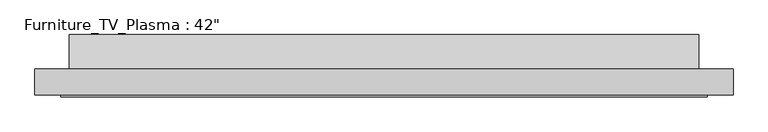
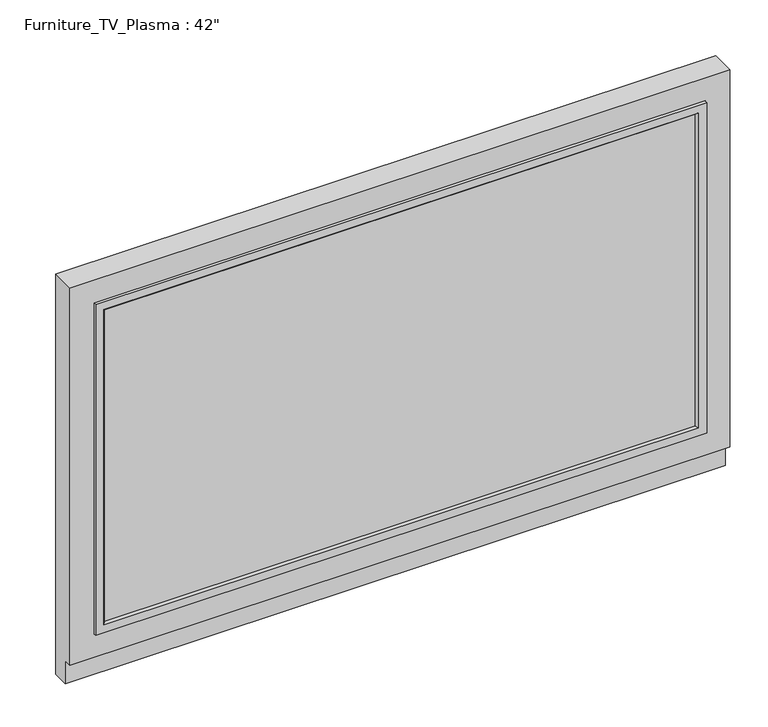
"""IFC4 building model written with IfcOpenShell, lengths in millimetres: furniture geometry."""

from ifc_helpers import new_model, si_unit, frame, origin, place, context, project, spatial, polyline, outline, extrude, faceted_brep, source, transform, mapped, element, save


def furniture_b0750a7a(model_context):
    return source(origin(), model_context, "Body", "SolidModel", [
        faceted_brep([(571.5, -50.8, 660.4), (-457.2, -50.8, 660.4), (-457.2, -88.9, 660.4), (571.5, -88.9, 660.4), (-457.2, -50.8, 0.0), (571.5, -50.8, 0.0), (571.5, -76.2, 0.0), (-457.2, -76.2, 0.0), (-457.2, -76.2, 38.1), (-457.2, -88.9, 38.1), (571.5, -88.9, 38.1), (533.4, -88.9, 622.3), (533.4, -88.9, 76.2), (-419.1, -88.9, 76.2), (-419.1, -88.9, 622.3), (571.5, -76.2, 38.1), (533.4, -74.1720413, 622.3), (-419.1, -74.1720413, 622.3), (-419.1, -74.1720413, 76.2), (533.4, -74.1720413, 76.2)], [[[0, 1, 2, 3]], [[4, 5, 6, 7]], [[1, 0, 5, 4]], [[2, 1, 4, 7, 8, 9]], [[3, 2, 9, 10], [11, 12, 13, 14]], [[0, 3, 10, 15, 6, 5]], [[16, 17, 18, 19]], [[16, 19, 12, 11]], [[19, 18, 13, 12]], [[18, 17, 14, 13]], [[17, 16, 11, 14]], [[15, 8, 7, 6]], [[8, 15, 10, 9]]]),
        faceted_brep([(517.525, -88.9, 92.075), (520.7, -92.075, 88.9), (520.7, -92.075, 608.80625), (517.525, -88.9, 605.63125), (520.7, -74.1720413, 88.9), (520.7, -88.9, 88.9), (520.7, -88.9, 608.80625), (520.7, -74.1720413, 608.80625), (533.4, -92.075, 76.2), (533.4, -74.1720413, 76.2), (533.4, -74.1720413, 621.50625), (533.4, -92.075, 621.50625), (-406.4, -92.075, 608.80625), (-403.225, -88.9, 605.63125), (-406.4, -88.9, 608.80625), (-406.4, -74.1720413, 608.80625), (-419.1, -74.1720413, 621.50625), (-419.1, -92.075, 621.50625), (-406.4, -92.075, 88.9), (-403.225, -88.9, 92.075), (-406.4, -88.9, 88.9), (-406.4, -74.1720413, 88.9), (-419.1, -74.1720413, 76.2), (-419.1, -92.075, 76.2)], [[[0, 1, 2, 3]], [[4, 5, 6, 7]], [[8, 9, 10, 11]], [[3, 2, 12, 13]], [[7, 6, 14, 15]], [[11, 10, 16, 17]], [[13, 12, 18, 19]], [[15, 14, 20, 21]], [[17, 16, 22, 23]], [[11, 17, 23, 8], [1, 18, 12, 2]], [[19, 18, 1, 0]], [[5, 20, 14, 6], [3, 13, 19, 0]], [[21, 20, 5, 4]], [[9, 22, 16, 10], [7, 15, 21, 4]], [[23, 22, 9, 8]]]),
        extrude(outline(polyline([(0.0, 574.8688953), (0.0, 38.1), (-50.8, 38.1), (-50.8, 609.6), (0.0, 574.8688953)])), frame((-406.4, 0.0, 0.0), z_axis=(1.0, 0.0, 0.0), x_axis=(0.0, 1.0, 0.0)), (0.0, 0.0, 1.0), 927.1),
        extrude(outline(polyline([(520.7, -88.9), (-406.4, -88.9), (-406.4, -74.1720413), (520.7, -74.1720413), (520.7, -88.9)])), frame((0.0, 0.0, 88.9), z_axis=(0.0, 0.0, 1.0), x_axis=(1.0, 0.0, 0.0)), (0.0, 0.0, 1.0), 520.7),
    ])


if __name__ == "__main__":
    model = new_model("IFC4")
    model_context = context("Model", 3, world=origin())
    ifc_project = project(units=[si_unit("LENGTHUNIT", "METRE", prefix="MILLI")], contexts=[model_context])
    site = spatial("IfcSite", under=ifc_project)
    building = spatial("IfcBuilding", under=site)
    placement = place(None, origin())
    furniture_shape = furniture_b0750a7a(model_context)
    element("IfcFurniture", 1, ObjectType="Furniture_TV_Plasma : 42\"", at=placement, inside=building, context=model_context, shape_type="MappedRepresentation", body=[
        mapped(furniture_shape, transform((0.0, 0.0, 0.0), x_axis=(1.0, 0.0, 0.0), y_axis=(0.0, 1.0, 0.0), z_axis=(0.0, 0.0, 1.0))),
    ])
    save(model, "model.ifc")
